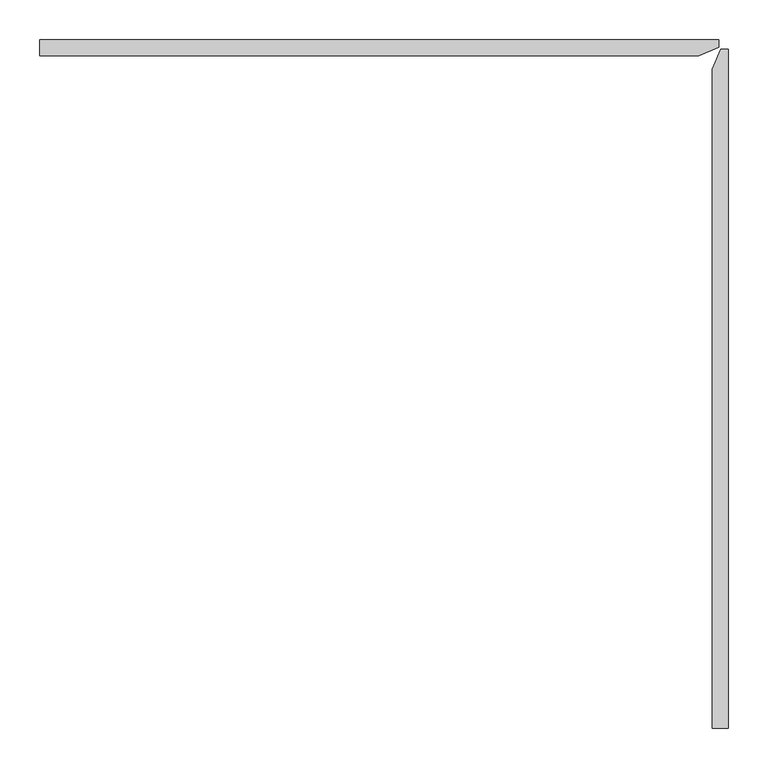
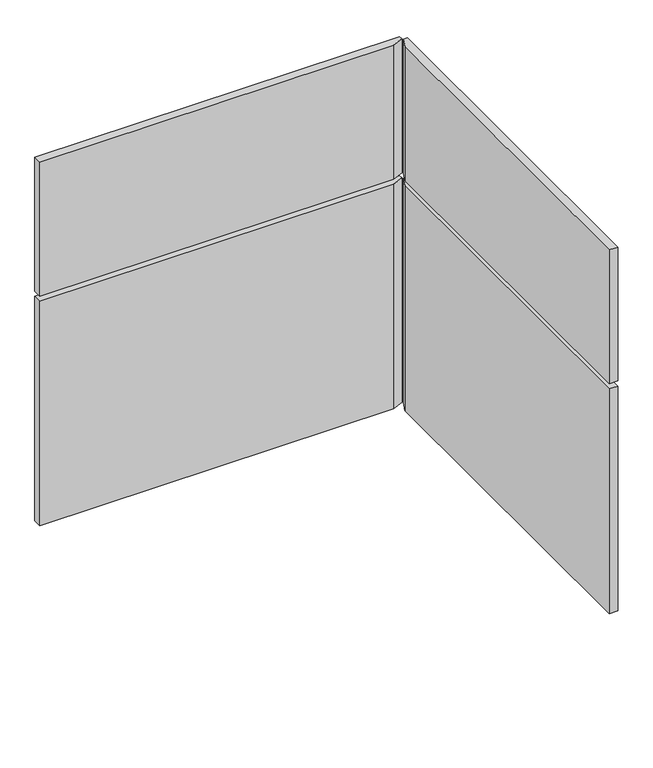
"""IFC4 building model written with IfcOpenShell, lengths in millimetres: furniture geometry."""

from ifc_helpers import new_model, si_unit, frame, origin, place, context, project, spatial, polyline, outline, extrude, source, transform, mapped, element, save


def furniture_16740b74(model_context):
    return source(origin(), model_context, "Body", "SweptSolid", [
        extrude(outline(polyline([(0.4499988, 23.9700054), (0.4499988, 44.5440062), (859.1000324, 44.5440062), (859.1000324, 35.0190062), (833.4568302, 23.9700054), (0.4499988, 23.9700054)])), frame((0.0, 0.0, 711.1999758), z_axis=(0.0, 0.0, 1.0), x_axis=(1.0, 0.0, 0.0)), (0.0, 0.0, 1.0), 333.1972242),
        extrude(outline(polyline([(850.499976, 6.9268346), (861.5490108, 32.5700051), (871.0740108, 32.5700051), (871.0740108, -826.0800276), (850.499976, -826.0800276), (850.499976, 6.9268346)])), frame((0.0, 0.0, 711.1999758), z_axis=(0.0, 0.0, 1.0), x_axis=(1.0, 0.0, 0.0)), (0.0, 0.0, 1.0), 333.1972242),
        extrude(outline(polyline([(0.4499988, 44.5440062), (859.1000324, 44.5440062), (859.1000324, 35.0190062), (833.4568302, 23.9700054), (0.4499988, 23.9700054), (0.4499988, 44.5440062)])), frame((0.0, 0.0, 139.700003), z_axis=(0.0, 0.0, 1.0), x_axis=(1.0, 0.0, 0.0)), (0.0, 0.0, 1.0), 558.8000212),
        extrude(outline(polyline([(861.5490108, 32.5700051), (871.0740108, 32.5700051), (871.0740108, -826.0800276), (850.499976, -826.0800276), (850.499976, 6.9268346), (861.5490108, 32.5700051)])), frame((0.0, 0.0, 139.700003), z_axis=(0.0, 0.0, 1.0), x_axis=(1.0, 0.0, 0.0)), (0.0, 0.0, 1.0), 558.8000212),
    ])


if __name__ == "__main__":
    model = new_model("IFC4")
    model_context = context("Model", 3, world=origin())
    ifc_project = project(units=[si_unit("LENGTHUNIT", "METRE", prefix="MILLI")], contexts=[model_context])
    site = spatial("IfcSite", under=ifc_project)
    building = spatial("IfcBuilding", under=site)
    placement = place(None, origin())
    furniture_shape = furniture_16740b74(model_context)
    element("IfcFurniture", 1, at=placement, inside=building, context=model_context, shape_type="MappedRepresentation", body=[
        mapped(furniture_shape, transform((0.0, 0.0, 0.0), x_axis=(1.0, 0.0, 0.0), y_axis=(0.0, 1.0, 0.0), z_axis=(0.0, 0.0, 1.0))),
    ])
    save(model, "model.ifc")
